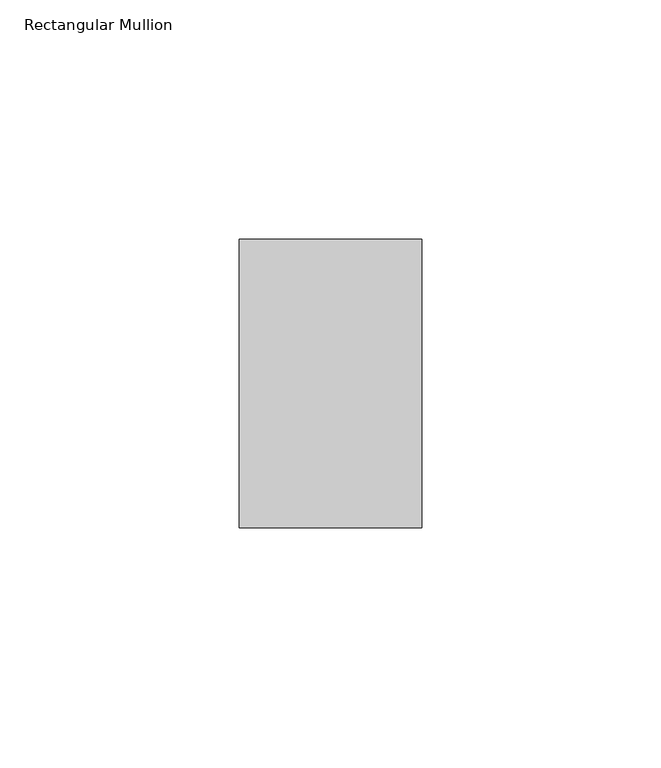
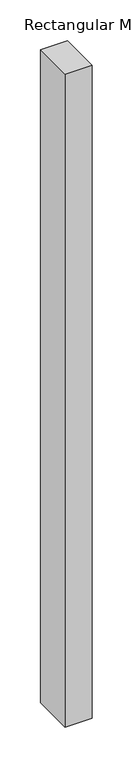
"""IFC4 building model written with IfcOpenShell, lengths in millimetres: member geometry, Rectangular Mullion."""

from ifc_helpers import new_model, si_unit, frame, origin, place, context, project, spatial, polyline, outline, extrude, source, transform, mapped, element, save


def rectangular_mullion_5b5840a1(model_context):
    return source(origin(), model_context, "Body", "SweptSolid", [
        extrude(outline(polyline([(-38.1, 50.8), (0.0, 50.8), (0.0, -9.525), (-38.1, -9.525), (-38.1, 50.8)])), frame((0.0, 0.0, -977.9), z_axis=(0.0, 0.0, 1.0), x_axis=(1.0, 0.0, 0.0)), (0.0, 0.0, 1.0), 977.9),
    ])


if __name__ == "__main__":
    model = new_model("IFC4")
    model_context = context("Model", 3, world=origin())
    ifc_project = project(units=[si_unit("LENGTHUNIT", "METRE", prefix="MILLI")], contexts=[model_context])
    site = spatial("IfcSite", under=ifc_project)
    building = spatial("IfcBuilding", under=site)
    placement = place(None, origin())
    rectangular_mullion_shape = rectangular_mullion_5b5840a1(model_context)
    element("IfcMember", 1, ObjectType="Rectangular Mullion", at=placement, inside=building, context=model_context, shape_type="MappedRepresentation", body=[
        mapped(rectangular_mullion_shape, transform((0.0, 0.0, 0.0), x_axis=(1.0, 0.0, 0.0), y_axis=(0.0, 1.0, 0.0), z_axis=(0.0, 0.0, 1.0))),
    ])
    save(model, "model.ifc")
